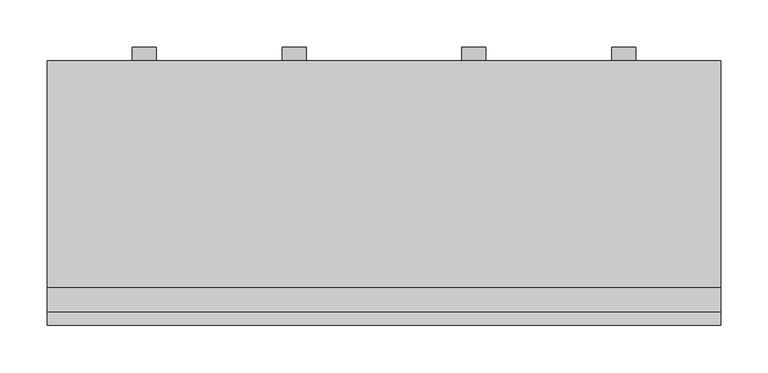
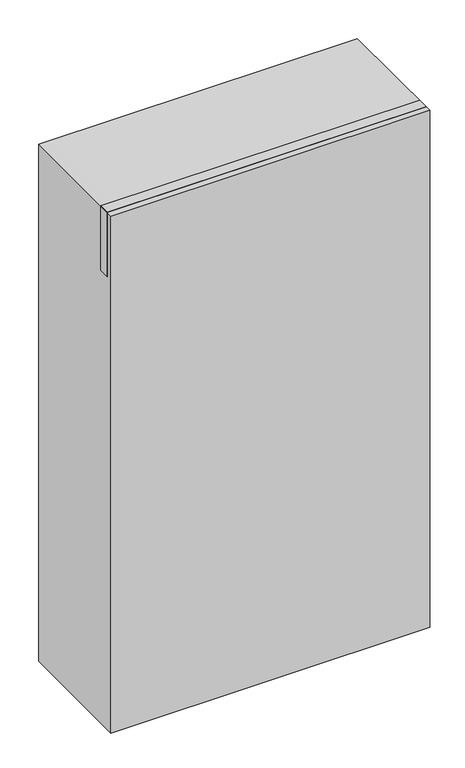
"""IFC4 building model written with IfcOpenShell, lengths in millimetres: proxy geometry."""

from ifc_helpers import new_model, si_unit, point, frame, frame_2d, origin, origin_with_axes, place, context, project, spatial, polyline, circle_curve, trimmed, segment, composite_curve, outline, extrude, source, transform, mapped, element, save


def specialty_equipment_430102cb(model_context):
    return source(origin(), model_context, "Body", "SweptSolid", [
        extrude(outline(composite_curve([segment(trimmed(circle_curve(frame_2d((1143.0, -94.588471)), 12.7), [point((1143.0, -81.888471))], [point((1143.0, -107.288471))], False, "CARTESIAN"), True, "CONTINUOUS"), segment(trimmed(circle_curve(frame_2d((1143.0, -94.588471)), 12.7), [point((1143.0, -107.288471))], [point((1143.0, -81.888471))], False, "CARTESIAN"), True, "CONTINUOUS")], self_intersect=False)), frame((0.0, 101.6, 0.0), z_axis=(0.0, 1.0, 0.0), x_axis=(0.0, 0.0, 1.0)), (0.0, 0.0, 1.0), 254.0),
        extrude(outline(composite_curve([segment(trimmed(circle_curve(frame_2d((1143.0, -253.338471)), 12.7), [point((1143.0, -240.638471))], [point((1143.0, -266.038471))], False, "CARTESIAN"), True, "CONTINUOUS"), segment(trimmed(circle_curve(frame_2d((1143.0, -253.338471)), 12.7), [point((1143.0, -266.038471))], [point((1143.0, -240.638471))], False, "CARTESIAN"), True, "CONTINUOUS")], self_intersect=False)), frame((0.0, 101.6, 0.0), z_axis=(0.0, 1.0, 0.0), x_axis=(0.0, 0.0, 1.0)), (0.0, 0.0, 1.0), 254.0),
        extrude(outline(composite_curve([segment(trimmed(circle_curve(frame_2d((1143.0, 94.588471)), 12.7), [point((1143.0, 81.888471))], [point((1143.0, 107.288471))], False, "CARTESIAN"), True, "CONTINUOUS"), segment(trimmed(circle_curve(frame_2d((1143.0, 94.588471)), 12.7), [point((1143.0, 107.288471))], [point((1143.0, 81.888471))], False, "CARTESIAN"), True, "CONTINUOUS")], self_intersect=False)), frame((0.0, 101.6, 0.0), z_axis=(0.0, 1.0, 0.0), x_axis=(0.0, 0.0, 1.0)), (0.0, 0.0, 1.0), 254.0),
        extrude(outline(composite_curve([segment(trimmed(circle_curve(frame_2d((1143.0, 253.338471)), 12.7), [point((1143.0, 240.638471))], [point((1143.0, 266.038471))], False, "CARTESIAN"), True, "CONTINUOUS"), segment(trimmed(circle_curve(frame_2d((1143.0, 253.338471)), 12.7), [point((1143.0, 266.038471))], [point((1143.0, 240.638471))], False, "CARTESIAN"), True, "CONTINUOUS")], self_intersect=False)), frame((0.0, 101.6, 0.0), z_axis=(0.0, 1.0, 0.0), x_axis=(0.0, 0.0, 1.0)), (0.0, 0.0, 1.0), 254.0),
        extrude(outline(polyline([(355.6, 76.2), (-355.6, 76.2), (-355.6, 101.6), (355.6, 101.6), (355.6, 76.2)])), frame((0.0, 0.0, 1066.8), z_axis=(0.0, 0.0, 1.0), x_axis=(1.0, 0.0, 0.0)), (0.0, 0.0, 1.0), 152.4),
        extrude(outline(polyline([(355.6, 341.3125), (355.6, 61.9125), (-355.6, 61.9125), (-355.6, 341.3125), (355.6, 341.3125)])), origin_with_axes(), (0.0, 0.0, 1.0), 1219.2),
    ])


if __name__ == "__main__":
    model = new_model("IFC4")
    model_context = context("Model", 3, world=origin())
    ifc_project = project(units=[si_unit("LENGTHUNIT", "METRE", prefix="MILLI")], contexts=[model_context])
    site = spatial("IfcSite", under=ifc_project)
    building = spatial("IfcBuilding", under=site)
    placement = place(None, origin())
    specialty_equipment_shape = specialty_equipment_430102cb(model_context)
    element("IfcBuildingElementProxy", 1, Name="Specialty Equipment", at=placement, inside=building, context=model_context, shape_type="MappedRepresentation", body=[
        mapped(specialty_equipment_shape, transform((0.0, 0.0, 0.0), x_axis=(1.0, 0.0, 0.0), y_axis=(0.0, 1.0, 0.0), z_axis=(0.0, 0.0, 1.0))),
    ])
    save(model, "model.ifc")
